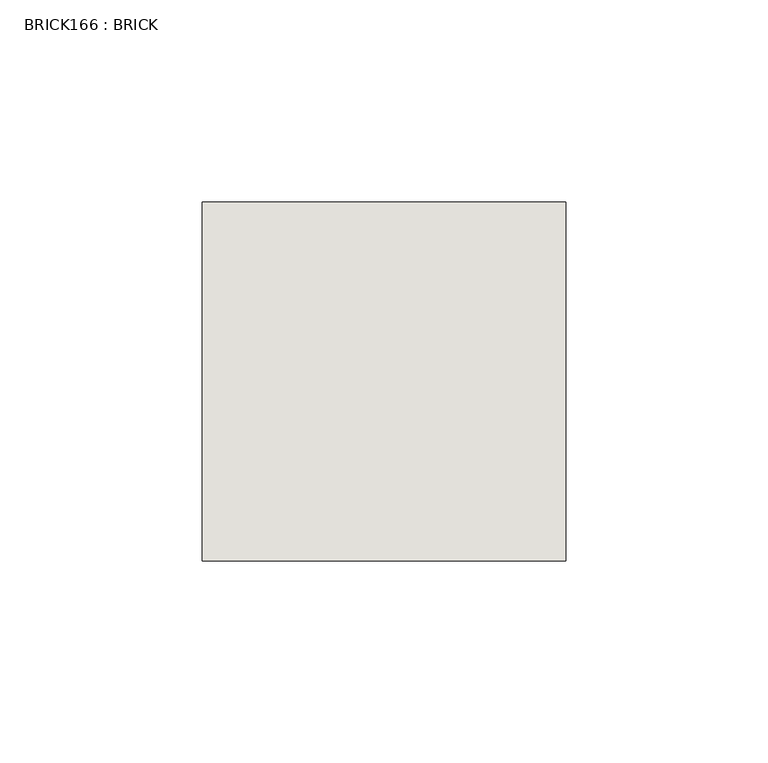
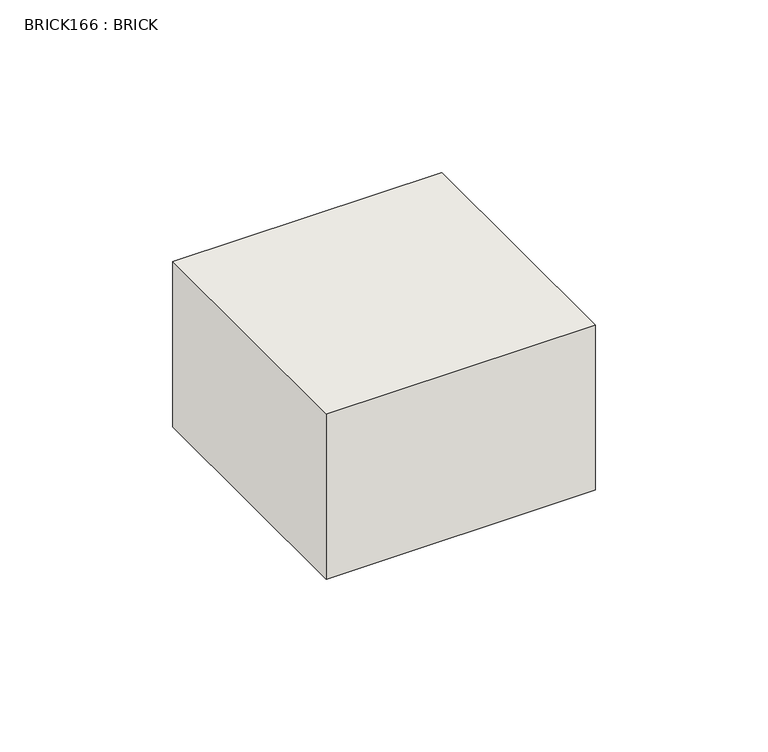
"""IFC4 building model written with IfcOpenShell, lengths in millimetres: wall geometry, BRICK166 : BRICK."""

from ifc_helpers import new_model, si_unit, frame, origin, place, context, project, spatial, polyline, outline, extrude, source, transform, mapped, element, save


def brick166_brick_814929b2(model_context):
    return source(origin(), model_context, "Body", "SweptSolid", [
        extrude(outline(polyline([(144.5425643, 3062.3923312), (234.5683761, 3062.3923312), (234.5683761, 2973.4923312), (144.5425643, 2973.4923312), (144.5425643, 3062.3923312)])), frame((0.0, 0.0, -183.1578125), z_axis=(0.0, 0.0, 1.0), x_axis=(1.0, 0.0, 0.0)), (0.0, 0.0, 1.0), 58.4398437),
    ])


if __name__ == "__main__":
    model = new_model("IFC4")
    model_context = context("Model", 3, world=origin())
    ifc_project = project(units=[si_unit("LENGTHUNIT", "METRE", prefix="MILLI")], contexts=[model_context])
    site = spatial("IfcSite", under=ifc_project)
    building = spatial("IfcBuilding", under=site)
    placement = place(None, origin())
    brick166_brick_shape = brick166_brick_814929b2(model_context)
    element("IfcWall", 1, ObjectType="BRICK166 : BRICK", at=placement, inside=building, context=model_context, shape_type="MappedRepresentation", body=[
        mapped(brick166_brick_shape, transform((0.0, 0.0, 0.0), x_axis=(1.0, 0.0, 0.0), y_axis=(0.0, 1.0, 0.0), z_axis=(0.0, 0.0, 1.0))),
    ])
    save(model, "model.ifc")
